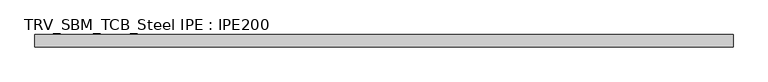
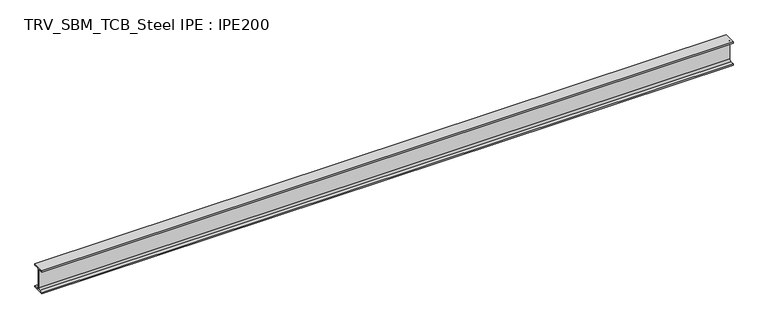
"""IFC4 building model written with IfcOpenShell, lengths in millimetres: beam geometry, TRV_SBM_TCB_Steel IPE : IPE200."""

from ifc_helpers import new_model, si_unit, point, frame, frame_2d, origin, place, context, project, spatial, polyline, circle_curve, trimmed, segment, composite_curve, outline, extrude, source, transform, mapped, element, save


def trv_sbm_tcb_steel_ipe_ipe200_d46ac45b(model_context):
    return source(origin(), model_context, "Body", "SweptSolid", [
        extrude(outline(composite_curve([segment(polyline([(50.0, -89.3), (50.0, -100.0), (-50.0, -100.0), (-50.0, -89.3), (-18.55, -89.3)]), True, "CONTINUOUS"), segment(trimmed(circle_curve(frame_2d((-18.55, -74.3)), 15.0), [point((-18.55, -89.3))], [point((-3.55, -74.3))], True, "CARTESIAN"), True, "CONTINUOUS"), segment(polyline([(-3.55, -74.3), (-3.55, 74.3)]), True, "CONTINUOUS"), segment(trimmed(circle_curve(frame_2d((-18.55, 74.3)), 15.0), [point((-3.55, 74.3))], [point((-18.55, 89.3))], True, "CARTESIAN"), True, "CONTINUOUS"), segment(polyline([(-18.55, 89.3), (-50.0, 89.3), (-50.0, 100.0), (50.0, 100.0), (50.0, 89.3), (18.55, 89.3)]), True, "CONTINUOUS"), segment(trimmed(circle_curve(frame_2d((18.55, 74.3)), 15.0), [point((18.55, 89.3))], [point((3.55, 74.3))], True, "CARTESIAN"), True, "CONTINUOUS"), segment(polyline([(3.55, 74.3), (3.55, -74.3)]), True, "CONTINUOUS"), segment(trimmed(circle_curve(frame_2d((18.55, -74.3)), 15.0), [point((3.55, -74.3))], [point((18.55, -89.3))], True, "CARTESIAN"), True, "CONTINUOUS"), segment(polyline([(18.55, -89.3), (50.0, -89.3)]), True, "CONTINUOUS")], self_intersect=False)), frame((-2800.5, 0.0, 0.0), z_axis=(1.0, 0.0, 0.0), x_axis=(0.0, 1.0, 0.0)), (0.0, 0.0, 1.0), 5648.0),
    ])


if __name__ == "__main__":
    model = new_model("IFC4")
    model_context = context("Model", 3, world=origin())
    ifc_project = project(units=[si_unit("LENGTHUNIT", "METRE", prefix="MILLI")], contexts=[model_context])
    site = spatial("IfcSite", under=ifc_project)
    building = spatial("IfcBuilding", under=site)
    placement = place(None, origin())
    trv_sbm_tcb_steel_ipe_ipe200_shape = trv_sbm_tcb_steel_ipe_ipe200_d46ac45b(model_context)
    element("IfcBeam", 1, ObjectType="TRV_SBM_TCB_Steel IPE : IPE200", at=placement, inside=building, context=model_context, shape_type="MappedRepresentation", body=[
        mapped(trv_sbm_tcb_steel_ipe_ipe200_shape, transform((0.0, 0.0, 0.0), x_axis=(1.0, 0.0, 0.0), y_axis=(0.0, 1.0, 0.0), z_axis=(0.0, 0.0, 1.0))),
    ])
    save(model, "model.ifc")
